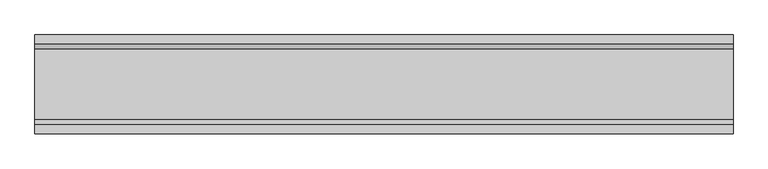
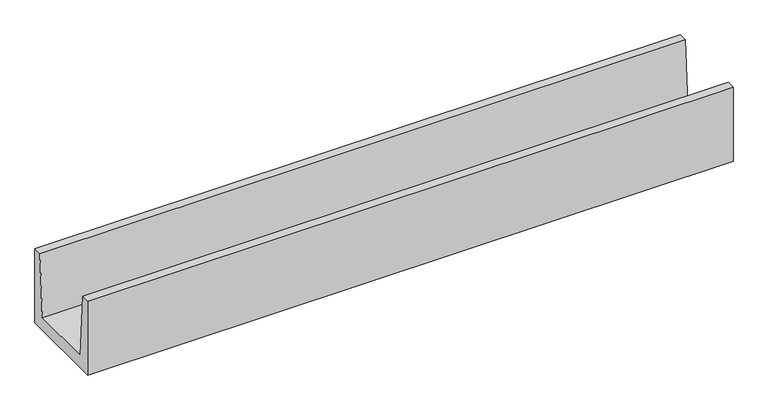
"""IFC4 building model written with IfcOpenShell, lengths in millimetres: proxy geometry."""

from ifc_helpers import new_model, si_unit, frame, origin, place, context, project, spatial, polyline, outline, extrude, source, transform, mapped, element, save


def generic_models_131a02d4(model_context):
    return source(origin(), model_context, "Body", "SweptSolid", [
        extrude(outline(polyline([(-170.0, 360.0), (-150.0, 60.0), (150.0, 60.0), (170.0, 360.0), (210.0, 360.0), (210.0, 0.0), (-210.0, 0.0), (-210.0, 360.0), (-170.0, 360.0)])), frame((-1485.0, 0.0, 0.0), z_axis=(1.0, 0.0, 0.0), x_axis=(0.0, 1.0, 0.0)), (0.0, 0.0, 1.0), 2970.0),
    ])


if __name__ == "__main__":
    model = new_model("IFC4")
    model_context = context("Model", 3, world=origin())
    ifc_project = project(units=[si_unit("LENGTHUNIT", "METRE", prefix="MILLI")], contexts=[model_context])
    site = spatial("IfcSite", under=ifc_project)
    building = spatial("IfcBuilding", under=site)
    placement = place(None, origin())
    generic_models_shape = generic_models_131a02d4(model_context)
    element("IfcBuildingElementProxy", 1, Name="Generic Models", at=placement, inside=building, context=model_context, shape_type="MappedRepresentation", body=[
        mapped(generic_models_shape, transform((0.0, 0.0, 0.0), x_axis=(1.0, 0.0, 0.0), y_axis=(0.0, 1.0, 0.0), z_axis=(0.0, 0.0, 1.0))),
    ])
    save(model, "model.ifc")
